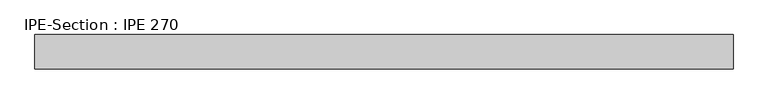
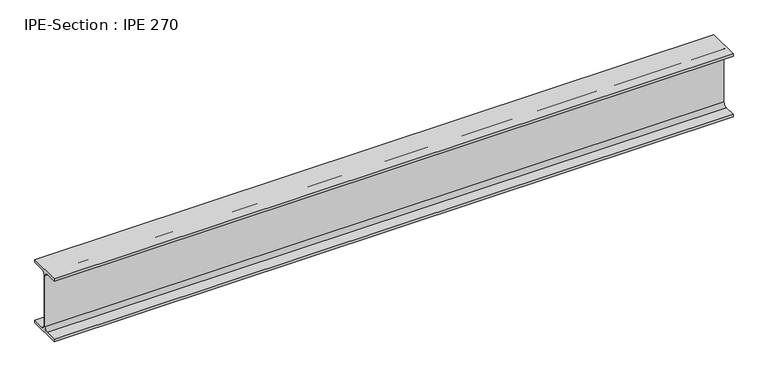
"""IFC4 building model written with IfcOpenShell, lengths in millimetres: beam geometry, IPE-Section : IPE 270."""

import ifcopenshell
import ifcopenshell.guid

model = None  # the IFC model being written
_history = None  # IfcOwnerHistory: only IFC2X3 demands one
_inside = {}  # id of a spatial element -> (the spatial element, [elements in it])
_under = {}  # id of a project, library or spatial element -> (it, [spatial elements below it])
_declared = {}  # id of a project -> (the project, [libraries it declares])
_typed = {}  # id of a type object -> (the type object, [elements of that type])
_made_of = {}  # id of a material, layer set ... -> (it, [elements and type objects made of it])


def new_model(schema):
    """Start an empty IFC model of exactly this schema.

    Asked for "IFC4X3", IfcOpenShell would pick the latest addendum, in which some entities
    have other attributes; the version numbers below select the first issue.
    IFC2X3 requires an IfcOwnerHistory on every rooted entity: one is made here for all.
    """
    global model, _history
    if schema == "IFC4X3":
        model = ifcopenshell.file(schema_version=(4, 3, 0, 0))
    else:
        model = ifcopenshell.file(schema=schema)
    _inside.clear()
    _under.clear()
    _declared.clear()
    _typed.clear()
    _made_of.clear()
    _history = None
    if model.schema == "IFC2X3":
        org = make("IfcOrganization", Name="unknown")
        user = make(
            "IfcPersonAndOrganization",
            ThePerson=make("IfcPerson", FamilyName="unknown"),
            TheOrganization=org,
        )
        app = make(
            "IfcApplication",
            ApplicationDeveloper=org,
            Version="unknown",
            ApplicationFullName="unknown",
            ApplicationIdentifier="unknown",
        )
        _history = make(
            "IfcOwnerHistory",
            OwningUser=user,
            OwningApplication=app,
            ChangeAction="ADDED",
            CreationDate=0,
        )
    return model


def make(cls, **values):
    """One entity of the class cls with the attributes given. An attribute that is None is left unset."""
    return model.create_entity(
        cls, **{name: value for name, value in values.items() if value is not None}
    )


def rooted(cls, **values):
    """An entity with a GlobalId (a new one), such as an element, a storey or a relation."""
    return make(cls, GlobalId=ifcopenshell.guid.new(), OwnerHistory=_history, **values)


def si_unit(unit_type, name, prefix=None):
    """IfcSIUnit, for example si_unit("LENGTHUNIT", "METRE", prefix="MILLI")."""
    return make("IfcSIUnit", UnitType=unit_type, Prefix=prefix, Name=name)


def assignment(units):
    """IfcUnitAssignment: the units of a project."""
    return None if units is None else make("IfcUnitAssignment", Units=units)


def point(xyz):
    """IfcCartesianPoint."""
    return None if xyz is None else make("IfcCartesianPoint", Coordinates=xyz)


def direction(xyz):
    """IfcDirection."""
    return None if xyz is None else make("IfcDirection", DirectionRatios=xyz)


def frame(location, z_axis=None, x_axis=None):
    """IfcAxis2Placement3D, a coordinate frame: its origin and axes. An axis left out is left unset."""
    return make(
        "IfcAxis2Placement3D",
        Location=point(location),
        Axis=direction(z_axis),
        RefDirection=direction(x_axis),
    )


def frame_2d(location, x_axis=None):
    """IfcAxis2Placement2D, a coordinate frame in the plane: its origin and x axis."""
    return make(
        "IfcAxis2Placement2D", Location=point(location), RefDirection=direction(x_axis)
    )


def origin():
    """The frame at (0, 0, 0) with its axes left unset."""
    return frame((0.0, 0.0, 0.0))


def place(relative_to, where):
    """IfcLocalPlacement: puts the frame where relative to a parent placement (None: the world)."""
    return make(
        "IfcLocalPlacement", PlacementRelTo=relative_to, RelativePlacement=where
    )


def context(
    kind, dimensions, precision=None, world=None, true_north=None, identifier=None
):
    """IfcGeometricRepresentationContext, for example the 3D "Model" context."""
    return make(
        "IfcGeometricRepresentationContext",
        ContextIdentifier=identifier,
        ContextType=kind,
        CoordinateSpaceDimension=dimensions,
        Precision=precision,
        WorldCoordinateSystem=world,
        TrueNorth=true_north,
    )


def project(units=None, contexts=None):
    """IfcProject with its units and contexts."""
    return rooted(
        "IfcProject",
        Name="project",
        RepresentationContexts=contexts,
        UnitsInContext=assignment(units),
    )


def spatial(cls, under=None, at=None, **own):
    """A site, building, storey or space (cls), placed at a placement, below another one or the project."""
    s = rooted(cls, ObjectPlacement=at, **own)
    if under is not None:
        _under.setdefault(under.id(), (under, []))[1].append(s)
    return s


def polyline(points):
    """IfcPolyline through the points."""
    return make("IfcPolyline", Points=[point(p) for p in points])


def circle_curve(where, radius):
    """IfcCircle in the frame where."""
    return make("IfcCircle", Position=where, Radius=radius)


def trimmed(basis, trim1, trim2, sense, master):
    """IfcTrimmedCurve: the piece of a basis curve between two trims."""
    return make(
        "IfcTrimmedCurve",
        BasisCurve=basis,
        Trim1=trim1,
        Trim2=trim2,
        SenseAgreement=sense,
        MasterRepresentation=master,
    )


def segment(curve, same_sense, transition):
    """IfcCompositeCurveSegment."""
    return make(
        "IfcCompositeCurveSegment",
        Transition=transition,
        SameSense=same_sense,
        ParentCurve=curve,
    )


def composite_curve(segments, self_intersect=None):
    """IfcCompositeCurve: segments joined end to end."""
    return make("IfcCompositeCurve", Segments=segments, SelfIntersect=self_intersect)


def outline(outer, holes=None, kind="AREA"):
    """IfcArbitraryClosedProfileDef: a profile drawn as a closed curve; with holes, ...WithVoids."""
    if holes is None:
        return make("IfcArbitraryClosedProfileDef", ProfileType=kind, OuterCurve=outer)
    return make(
        "IfcArbitraryProfileDefWithVoids",
        ProfileType=kind,
        OuterCurve=outer,
        InnerCurves=holes,
    )


def extrude(swept, where, along, depth):
    """IfcExtrudedAreaSolid: the profile swept, set in the frame where, extruded along a direction by depth."""
    return make(
        "IfcExtrudedAreaSolid",
        SweptArea=swept,
        Position=where,
        ExtrudedDirection=direction(along),
        Depth=depth,
    )


def shape(context_of_items, identifier, shape_type, items):
    """IfcShapeRepresentation: the items that make up one representation, for example the "Body"."""
    return make(
        "IfcShapeRepresentation",
        ContextOfItems=context_of_items,
        RepresentationIdentifier=identifier,
        RepresentationType=shape_type,
        Items=items,
    )


def source(mapping_origin, context_of_items, identifier, shape_type, items):
    """IfcRepresentationMap: a shape defined once, which mapped items show again and again."""
    return make(
        "IfcRepresentationMap",
        MappingOrigin=mapping_origin,
        MappedRepresentation=shape(context_of_items, identifier, shape_type, items),
    )


def transform(
    local_origin,
    x_axis=None,
    y_axis=None,
    z_axis=None,
    scale=None,
    scale2=None,
    scale3=None,
    uniform=True,
):
    """IfcCartesianTransformationOperator3D, or its non-uniform kind. x_axis, y_axis, z_axis: its Axis1, 2, 3."""
    if uniform:
        return make(
            "IfcCartesianTransformationOperator3D",
            Axis1=direction(x_axis),
            Axis2=direction(y_axis),
            LocalOrigin=point(local_origin),
            Scale=scale,
            Axis3=direction(z_axis),
        )
    return make(
        "IfcCartesianTransformationOperator3DnonUniform",
        Axis1=direction(x_axis),
        Axis2=direction(y_axis),
        LocalOrigin=point(local_origin),
        Scale=scale,
        Axis3=direction(z_axis),
        Scale2=scale2,
        Scale3=scale3,
    )


def mapped(mapping_source, mapping_target):
    """IfcMappedItem: shows the shape of a source again, moved by a transform."""
    return make(
        "IfcMappedItem", MappingSource=mapping_source, MappingTarget=mapping_target
    )


def made_of(thing, what):
    """Note that an element or type object is made of a material, layer set ...; save() writes the relation."""
    if what is not None:
        _made_of.setdefault(what.id(), (what, []))[1].append(thing)
    return thing


def element(
    cls,
    number,
    at=None,
    inside=None,
    cuts=None,
    type_object=None,
    material=None,
    context=None,
    identifier="Body",
    shape_type=None,
    held_by="IfcProductDefinitionShape",
    body=None,
    shapes=None,
    **own,
):
    """One element of the class cls, such as IfcWall. Its Tag is "e" and its number.

    at: its placement. inside: the storey or other place that contains it. cuts: it is an
    opening in that element (IfcRelVoidsElement). A single representation is given by context,
    identifier, shape_type and body (its items); several are given by shapes. held_by: the class
    of the entity that holds the representations. save() writes the other relations.
    """
    e = rooted(cls, Tag="e%d" % number, ObjectPlacement=at, **own)
    if body is not None:
        shapes = [shape(context, identifier, shape_type, body)]
    if shapes is not None:
        e.Representation = make(held_by, Representations=shapes)
    if inside is not None:
        _inside.setdefault(inside.id(), (inside, []))[1].append(e)
    if cuts is not None:
        rooted(
            "IfcRelVoidsElement", RelatingBuildingElement=cuts, RelatedOpeningElement=e
        )
    if type_object is not None:
        _typed.setdefault(type_object.id(), (type_object, []))[1].append(e)
    return made_of(e, material)


def aggregate(whole, parts):
    """IfcRelAggregates: a whole, such as a stair, and the parts it consists of."""
    return rooted("IfcRelAggregates", RelatingObject=whole, RelatedObjects=parts)


def save(model, path):
    """Write the relations noted so far, then the file.

    IfcRelAggregates (storeys below a building ...), IfcRelContainedInSpatialStructure (elements
    in a storey), IfcRelDefinesByType, IfcRelAssociatesMaterial and IfcRelDeclares: one each for
    every whole, place, type object, material and project.
    """
    for whole, parts in _under.values():
        aggregate(whole, parts)
    for where, things in _inside.values():
        rooted(
            "IfcRelContainedInSpatialStructure",
            RelatedElements=things,
            RelatingStructure=where,
        )
    for kind, things in _typed.values():
        rooted("IfcRelDefinesByType", RelatedObjects=things, RelatingType=kind)
    for what, things in _made_of.values():
        rooted("IfcRelAssociatesMaterial", RelatedObjects=things, RelatingMaterial=what)
    for by, libraries in _declared.values():
        rooted("IfcRelDeclares", RelatingContext=by, RelatedDefinitions=libraries)
    model.write(path)


def ipe_section_ipe_270_5f5bdd74(model_context):
    return source(origin(), model_context, "Body", "SweptSolid", [
        extrude(outline(composite_curve([segment(polyline([(67.5, -124.8), (67.5, -135.0), (-67.5, -135.0), (-67.5, -124.8), (-18.3, -124.8)]), True, "CONTINUOUS"), segment(trimmed(circle_curve(frame_2d((-18.3, -109.8)), 15.0), [point((-18.3, -124.8))], [point((-3.3, -109.8))], True, "CARTESIAN"), True, "CONTINUOUS"), segment(polyline([(-3.3, -109.8), (-3.3, 109.8)]), True, "CONTINUOUS"), segment(trimmed(circle_curve(frame_2d((-18.3, 109.8)), 15.0), [point((-3.3, 109.8))], [point((-18.3, 124.8))], True, "CARTESIAN"), True, "CONTINUOUS"), segment(polyline([(-18.3, 124.8), (-67.5, 124.8), (-67.5, 135.0), (67.5, 135.0), (67.5, 124.8), (18.3, 124.8)]), True, "CONTINUOUS"), segment(trimmed(circle_curve(frame_2d((18.3, 109.8)), 15.0), [point((18.3, 124.8))], [point((3.3, 109.8))], True, "CARTESIAN"), True, "CONTINUOUS"), segment(polyline([(3.3, 109.8), (3.3, -109.8)]), True, "CONTINUOUS"), segment(trimmed(circle_curve(frame_2d((18.3, -109.8)), 15.0), [point((3.3, -109.8))], [point((18.3, -124.8))], True, "CARTESIAN"), True, "CONTINUOUS"), segment(polyline([(18.3, -124.8), (67.5, -124.8)]), True, "CONTINUOUS")], self_intersect=False)), frame((-1389.8, 0.0, 0.0), z_axis=(1.0, 0.0, 0.0), x_axis=(0.0, 1.0, 0.0)), (0.0, 0.0, 1.0), 2757.1),
    ])


if __name__ == "__main__":
    model = new_model("IFC4")
    model_context = context("Model", 3, world=origin())
    ifc_project = project(units=[si_unit("LENGTHUNIT", "METRE", prefix="MILLI")], contexts=[model_context])
    site = spatial("IfcSite", under=ifc_project)
    building = spatial("IfcBuilding", under=site)
    placement = place(None, origin())
    ipe_section_ipe_270_shape = ipe_section_ipe_270_5f5bdd74(model_context)
    element("IfcBeam", 1, ObjectType="IPE-Section : IPE 270", at=placement, inside=building, context=model_context, shape_type="MappedRepresentation", body=[
        mapped(ipe_section_ipe_270_shape, transform((0.0, 0.0, 0.0), x_axis=(1.0, 0.0, 0.0), y_axis=(0.0, 1.0, 0.0), z_axis=(0.0, 0.0, 1.0))),
    ])
    save(model, "model.ifc")
